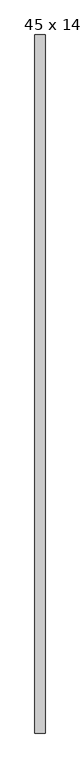
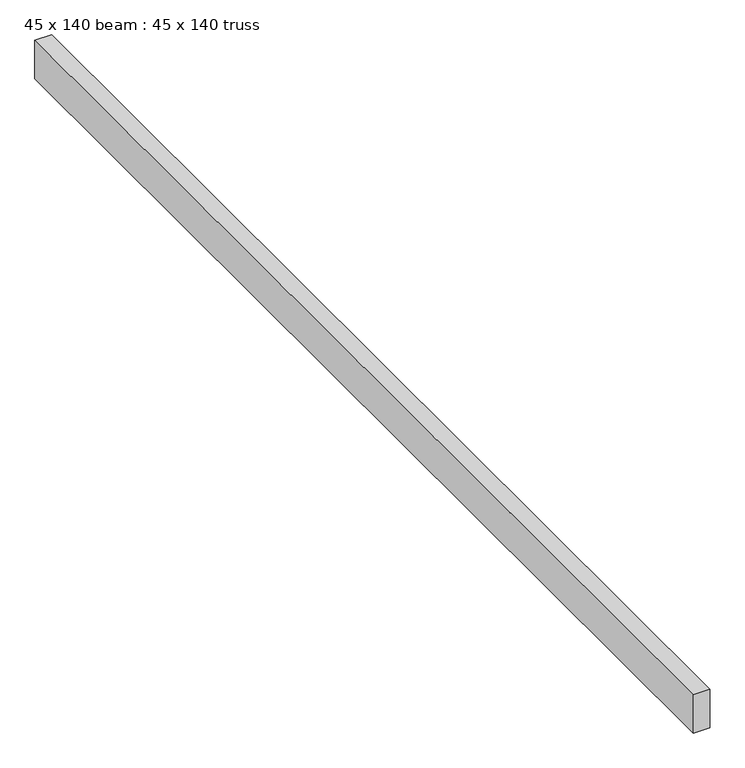
"""IFC4 building model written with IfcOpenShell, lengths in millimetres: proxy geometry, 45 x 140 beam : 45 x 140 truss."""

from ifc_helpers import new_model, si_unit, frame, origin, place, context, project, spatial, polyline, outline, extrude, source, transform, mapped, element, save


def proxy_45_x_140_beam_45_x_140_truss_1d6dda72(model_context):
    return source(origin(), model_context, "Body", "SweptSolid", [
        extrude(outline(polyline([(-1197.0226803, -4545.130694), (-1242.0226803, -4545.130694), (-1242.0226803, -1455.130694), (-1197.0226803, -1455.130694), (-1197.0226803, -4545.130694)])), frame((0.0, 0.0, 3675.1978483), z_axis=(0.0, 0.0, 1.0), x_axis=(1.0, 0.0, 0.0)), (0.0, 0.0, 1.0), 109.0474323),
    ])


if __name__ == "__main__":
    model = new_model("IFC4")
    model_context = context("Model", 3, world=origin())
    ifc_project = project(units=[si_unit("LENGTHUNIT", "METRE", prefix="MILLI")], contexts=[model_context])
    site = spatial("IfcSite", under=ifc_project)
    building = spatial("IfcBuilding", under=site)
    placement = place(None, origin())
    proxy_45_x_140_beam_45_x_140_truss_shape = proxy_45_x_140_beam_45_x_140_truss_1d6dda72(model_context)
    element("IfcBuildingElementProxy", 1, Name="45 x 140 beam : 45 x 140 truss", ObjectType="45 x 140 beam : 45 x 140 truss", at=placement, inside=building, context=model_context, shape_type="MappedRepresentation", body=[
        mapped(proxy_45_x_140_beam_45_x_140_truss_shape, transform((0.0, 0.0, 0.0), x_axis=(1.0, 0.0, 0.0), y_axis=(0.0, 1.0, 0.0), z_axis=(0.0, 0.0, 1.0))),
    ])
    save(model, "model.ifc")
